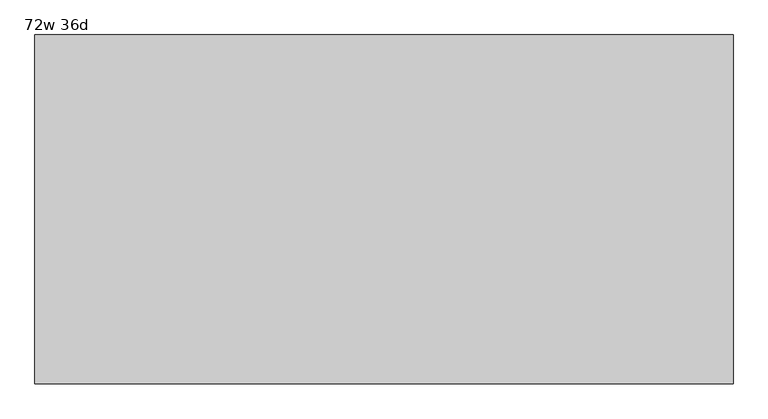
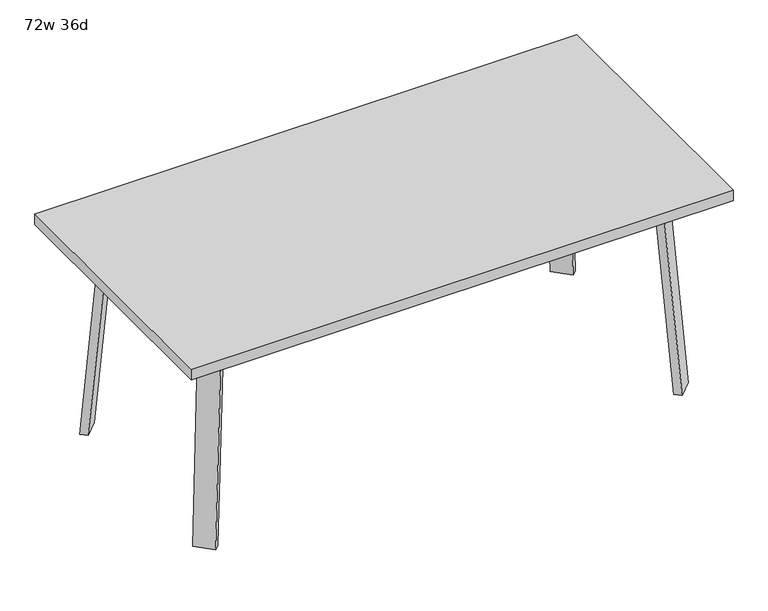
"""IFC4 building model written with IfcOpenShell, lengths in millimetres: furniture geometry, 72w 36d."""

from ifc_helpers import new_model, si_unit, point, frame, frame_2d, origin, place, context, project, spatial, polyline, circle_curve, trimmed, segment, composite_curve, outline, extrude, faceted_brep, source, transform, mapped, element, save


def furniture_72w_36d_bfdfe811(model_context):
    return source(origin(), model_context, "Body", "SolidModel", [
        faceted_brep([(606.2753042, -274.0920519, 695.325), (645.7884312, -234.578925, 695.325), (700.9047531, -289.6952469, 695.325), (694.2631053, -296.3368947, 695.325), (633.2160726, -301.0328203, 695.325), (753.5368947, -237.0631053, 695.325), (747.6020849, -242.9979151, 695.325), (692.485763, -187.8815931, 695.325), (731.9988899, -148.3684662, 695.325), (758.9396583, -175.3092346, 695.325), (606.2753042, -274.0920519, 698.5), (633.2160726, -301.0328203, 698.5), (694.2631053, -296.3368947, 698.5), (753.5368947, -237.0631053, 698.5), (758.9396583, -175.3092346, 698.5), (731.9988899, -148.3684662, 698.5), (700.9047531, -289.6952469, 673.1), (747.6020849, -242.9979151, 673.1), (656.0034725, -244.7939663, 673.1), (702.7008043, -198.0966345, 673.1)], [[[0, 1, 2, 3, 4]], [[5, 6, 7, 8, 9]], [[10, 11, 12, 13, 14, 15]], [[4, 11, 10, 0]], [[3, 12, 11, 4]], [[12, 3, 2, 16, 17, 6, 5, 13]], [[9, 14, 13, 5]], [[8, 15, 14, 9]], [[15, 8, 7, 1, 0, 10]], [[2, 1, 18, 16]], [[7, 6, 17, 19]], [[18, 19, 17, 16]], [[1, 7, 19, 18]]]),
        extrude(outline(composite_curve([segment(polyline([(-698.9257667, 0.0), (-704.4601563, 63.2583633), (-679.156811, 65.4721192), (-677.172355, 42.7896831)]), True, "CONTINUOUS"), segment(trimmed(circle_curve(frame_2d((-658.194846, 44.45)), 19.05), [point((-677.172355, 42.7896831))], [point((-658.194846, 25.4))], True, "CARTESIAN"), True, "CONTINUOUS"), segment(polyline([(-658.194846, 25.4), (0.0201778, 25.4), (2.2423899, 0.0), (-698.9257667, 0.0)]), True, "CONTINUOUS")], self_intersect=False)), frame((787.1792647, -379.3706733, 2.2338569), z_axis=(0.7071067811865512, 0.707106781186544, 0.0), x_axis=(0.06162841671622733, -0.06162841671621349, -0.9961946980917454)), (0.0, 0.0, 1.0), 69.85),
        faceted_brep([(606.2753042, 274.0920519, 695.325), (633.2160726, 301.0328203, 695.325), (694.2631053, 296.3368947, 695.325), (700.9047531, 289.6952469, 695.325), (645.7884312, 234.578925, 695.325), (753.5368947, 237.0631053, 695.325), (758.9396583, 175.3092346, 695.325), (731.9988899, 148.3684662, 695.325), (692.485763, 187.8815931, 695.325), (747.6020849, 242.9979151, 695.325), (606.2753042, 274.0920519, 698.5), (731.9988899, 148.3684662, 698.5), (758.9396583, 175.3092346, 698.5), (753.5368947, 237.0631053, 698.5), (694.2631053, 296.3368947, 698.5), (633.2160726, 301.0328203, 698.5), (747.6020849, 242.9979151, 673.1), (700.9047531, 289.6952469, 673.1), (656.0034725, 244.7939663, 673.1), (702.7008043, 198.0966345, 673.1)], [[[0, 1, 2, 3, 4]], [[5, 6, 7, 8, 9]], [[10, 11, 12, 13, 14, 15]], [[1, 0, 10, 15]], [[2, 1, 15, 14]], [[14, 13, 5, 9, 16, 17, 3, 2]], [[6, 5, 13, 12]], [[7, 6, 12, 11]], [[11, 10, 0, 4, 8, 7]], [[3, 17, 18, 4]], [[8, 19, 16, 9]], [[18, 17, 16, 19]], [[4, 18, 19, 8]]]),
        extrude(outline(composite_curve([segment(polyline([(698.9257667, 0.0), (704.4601563, -63.2583633), (679.156811, -65.4721192), (677.172355, -42.7896831)]), True, "CONTINUOUS"), segment(trimmed(circle_curve(frame_2d((658.194846, -44.45)), 19.05), [point((677.172355, -42.7896831))], [point((658.194846, -25.4))], True, "CARTESIAN"), True, "CONTINUOUS"), segment(polyline([(658.194846, -25.4), (-0.0201778, -25.4), (-2.2423899, 0.0), (698.9257667, 0.0)]), True, "CONTINUOUS")], self_intersect=False)), frame((836.5706733, 329.9792647, 2.2338569), z_axis=(-0.7071067811865512, 0.707106781186544, 0.0), x_axis=(-0.06162841671622733, -0.06162841671621349, 0.9961946980917454)), (0.0, 0.0, 1.0), 69.85),
        faceted_brep([(-606.2753042, 274.0920519, 695.325), (-645.7884312, 234.578925, 695.325), (-700.9047531, 289.6952469, 695.325), (-694.2631053, 296.3368947, 695.325), (-633.2160726, 301.0328203, 695.325), (-753.5368947, 237.0631053, 695.325), (-747.6020849, 242.9979151, 695.325), (-692.485763, 187.8815931, 695.325), (-731.9988899, 148.3684662, 695.325), (-758.9396583, 175.3092346, 695.325), (-606.2753042, 274.0920519, 698.5), (-633.2160726, 301.0328203, 698.5), (-694.2631053, 296.3368947, 698.5), (-753.5368947, 237.0631053, 698.5), (-758.9396583, 175.3092346, 698.5), (-731.9988899, 148.3684662, 698.5), (-700.9047531, 289.6952469, 673.1), (-747.6020849, 242.9979151, 673.1), (-656.0034725, 244.7939663, 673.1), (-702.7008043, 198.0966345, 673.1)], [[[0, 1, 2, 3, 4]], [[5, 6, 7, 8, 9]], [[10, 11, 12, 13, 14, 15]], [[4, 11, 10, 0]], [[3, 12, 11, 4]], [[12, 3, 2, 16, 17, 6, 5, 13]], [[9, 14, 13, 5]], [[8, 15, 14, 9]], [[15, 8, 7, 1, 0, 10]], [[2, 1, 18, 16]], [[7, 6, 17, 19]], [[18, 19, 17, 16]], [[1, 7, 19, 18]]]),
        extrude(outline(composite_curve([segment(polyline([(698.9257667, 0.0), (-2.2423899, 0.0), (-0.0201778, 25.4), (658.194846, 25.4)]), True, "CONTINUOUS"), segment(trimmed(circle_curve(frame_2d((658.194846, 44.45)), 19.05), [point((658.194846, 25.4))], [point((677.172355, 42.7896831))], True, "CARTESIAN"), True, "CONTINUOUS"), segment(polyline([(677.172355, 42.7896831), (679.156811, 65.4721192), (704.4601563, 63.2583633), (698.9257667, 0.0)]), True, "CONTINUOUS")], self_intersect=False)), frame((-836.5706733, 329.9792647, 2.2338569), z_axis=(0.7071067811865512, 0.707106781186544, 0.0), x_axis=(0.06162841671622733, -0.06162841671621349, 0.9961946980917454)), (0.0, 0.0, 1.0), 69.85),
        faceted_brep([(-606.2753042, -274.0920519, 695.325), (-633.2160726, -301.0328203, 695.325), (-694.2631053, -296.3368947, 695.325), (-700.9047531, -289.6952469, 695.325), (-645.7884312, -234.578925, 695.325), (-753.5368947, -237.0631053, 695.325), (-758.9396583, -175.3092346, 695.325), (-731.9988899, -148.3684662, 695.325), (-692.485763, -187.8815931, 695.325), (-747.6020849, -242.9979151, 695.325), (-606.2753042, -274.0920519, 698.5), (-731.9988899, -148.3684662, 698.5), (-758.9396583, -175.3092346, 698.5), (-753.5368947, -237.0631053, 698.5), (-694.2631053, -296.3368947, 698.5), (-633.2160726, -301.0328203, 698.5), (-747.6020849, -242.9979151, 673.1), (-700.9047531, -289.6952469, 673.1), (-656.0034725, -244.7939663, 673.1), (-702.7008043, -198.0966345, 673.1)], [[[0, 1, 2, 3, 4]], [[5, 6, 7, 8, 9]], [[10, 11, 12, 13, 14, 15]], [[1, 0, 10, 15]], [[2, 1, 15, 14]], [[14, 13, 5, 9, 16, 17, 3, 2]], [[6, 5, 13, 12]], [[7, 6, 12, 11]], [[11, 10, 0, 4, 8, 7]], [[3, 17, 18, 4]], [[8, 19, 16, 9]], [[18, 17, 16, 19]], [[4, 18, 19, 8]]]),
        extrude(outline(composite_curve([segment(polyline([(-698.9257667, 0.0), (2.2423899, 0.0), (0.0201778, -25.4), (-658.194846, -25.4)]), True, "CONTINUOUS"), segment(trimmed(circle_curve(frame_2d((-658.194846, -44.45)), 19.05), [point((-658.194846, -25.4))], [point((-677.172355, -42.7896831))], True, "CARTESIAN"), True, "CONTINUOUS"), segment(polyline([(-677.172355, -42.7896831), (-679.156811, -65.4721192), (-704.4601563, -63.2583633), (-698.9257667, 0.0)]), True, "CONTINUOUS")], self_intersect=False)), frame((-787.1792647, -379.3706733, 2.2338569), z_axis=(-0.7071067811865512, 0.707106781186544, 0.0), x_axis=(-0.06162841671622733, -0.06162841671621349, -0.9961946980917454)), (0.0, 0.0, 1.0), 69.85),
        extrude(outline(polyline([(914.4, 457.2), (914.4, -457.2), (-914.4, -457.2), (-914.4, 457.2), (914.4, 457.2)])), frame((0.0, 0.0, 698.5), z_axis=(0.0, 0.0, 1.0), x_axis=(1.0, 0.0, 0.0)), (0.0, 0.0, 1.0), 38.1),
    ])


if __name__ == "__main__":
    model = new_model("IFC4")
    model_context = context("Model", 3, world=origin())
    ifc_project = project(units=[si_unit("LENGTHUNIT", "METRE", prefix="MILLI")], contexts=[model_context])
    site = spatial("IfcSite", under=ifc_project)
    building = spatial("IfcBuilding", under=site)
    placement = place(None, origin())
    furniture_72w_36d_shape = furniture_72w_36d_bfdfe811(model_context)
    element("IfcFurniture", 1, ObjectType="72w 36d", at=placement, inside=building, context=model_context, shape_type="MappedRepresentation", body=[
        mapped(furniture_72w_36d_shape, transform((0.0, 0.0, 0.0), x_axis=(1.0, 0.0, 0.0), y_axis=(0.0, 1.0, 0.0), z_axis=(0.0, 0.0, 1.0))),
    ])
    save(model, "model.ifc")
